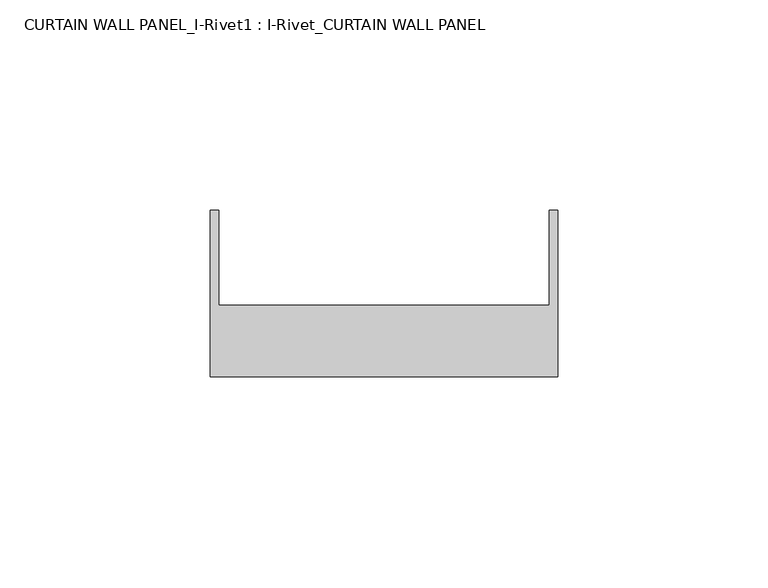
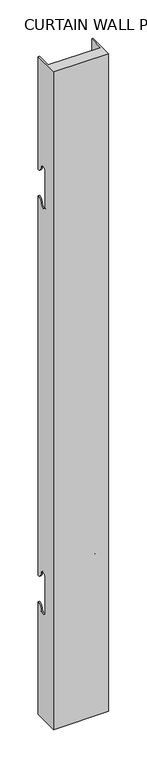
"""IFC4 building model written with IfcOpenShell, lengths in millimetres: plate geometry, CURTAIN WALL PANEL_I-Rivet1 : I-Rivet_CURTAIN WALL PANEL."""

import ifcopenshell
import ifcopenshell.guid

model = None  # the IFC model being written
_history = None  # IfcOwnerHistory: only IFC2X3 demands one
_inside = {}  # id of a spatial element -> (the spatial element, [elements in it])
_under = {}  # id of a project, library or spatial element -> (it, [spatial elements below it])
_declared = {}  # id of a project -> (the project, [libraries it declares])
_typed = {}  # id of a type object -> (the type object, [elements of that type])
_made_of = {}  # id of a material, layer set ... -> (it, [elements and type objects made of it])


def new_model(schema):
    """Start an empty IFC model of exactly this schema.

    Asked for "IFC4X3", IfcOpenShell would pick the latest addendum, in which some entities
    have other attributes; the version numbers below select the first issue.
    IFC2X3 requires an IfcOwnerHistory on every rooted entity: one is made here for all.
    """
    global model, _history
    if schema == "IFC4X3":
        model = ifcopenshell.file(schema_version=(4, 3, 0, 0))
    else:
        model = ifcopenshell.file(schema=schema)
    _inside.clear()
    _under.clear()
    _declared.clear()
    _typed.clear()
    _made_of.clear()
    _history = None
    if model.schema == "IFC2X3":
        org = make("IfcOrganization", Name="unknown")
        user = make(
            "IfcPersonAndOrganization",
            ThePerson=make("IfcPerson", FamilyName="unknown"),
            TheOrganization=org,
        )
        app = make(
            "IfcApplication",
            ApplicationDeveloper=org,
            Version="unknown",
            ApplicationFullName="unknown",
            ApplicationIdentifier="unknown",
        )
        _history = make(
            "IfcOwnerHistory",
            OwningUser=user,
            OwningApplication=app,
            ChangeAction="ADDED",
            CreationDate=0,
        )
    return model


def make(cls, **values):
    """One entity of the class cls with the attributes given. An attribute that is None is left unset."""
    return model.create_entity(
        cls, **{name: value for name, value in values.items() if value is not None}
    )


def rooted(cls, **values):
    """An entity with a GlobalId (a new one), such as an element, a storey or a relation."""
    return make(cls, GlobalId=ifcopenshell.guid.new(), OwnerHistory=_history, **values)


def si_unit(unit_type, name, prefix=None):
    """IfcSIUnit, for example si_unit("LENGTHUNIT", "METRE", prefix="MILLI")."""
    return make("IfcSIUnit", UnitType=unit_type, Prefix=prefix, Name=name)


def assignment(units):
    """IfcUnitAssignment: the units of a project."""
    return None if units is None else make("IfcUnitAssignment", Units=units)


def point(xyz):
    """IfcCartesianPoint."""
    return None if xyz is None else make("IfcCartesianPoint", Coordinates=xyz)


def direction(xyz):
    """IfcDirection."""
    return None if xyz is None else make("IfcDirection", DirectionRatios=xyz)


def frame(location, z_axis=None, x_axis=None):
    """IfcAxis2Placement3D, a coordinate frame: its origin and axes. An axis left out is left unset."""
    return make(
        "IfcAxis2Placement3D",
        Location=point(location),
        Axis=direction(z_axis),
        RefDirection=direction(x_axis),
    )


def origin():
    """The frame at (0, 0, 0) with its axes left unset."""
    return frame((0.0, 0.0, 0.0))


def place(relative_to, where):
    """IfcLocalPlacement: puts the frame where relative to a parent placement (None: the world)."""
    return make(
        "IfcLocalPlacement", PlacementRelTo=relative_to, RelativePlacement=where
    )


def context(
    kind, dimensions, precision=None, world=None, true_north=None, identifier=None
):
    """IfcGeometricRepresentationContext, for example the 3D "Model" context."""
    return make(
        "IfcGeometricRepresentationContext",
        ContextIdentifier=identifier,
        ContextType=kind,
        CoordinateSpaceDimension=dimensions,
        Precision=precision,
        WorldCoordinateSystem=world,
        TrueNorth=true_north,
    )


def project(units=None, contexts=None):
    """IfcProject with its units and contexts."""
    return rooted(
        "IfcProject",
        Name="project",
        RepresentationContexts=contexts,
        UnitsInContext=assignment(units),
    )


def spatial(cls, under=None, at=None, **own):
    """A site, building, storey or space (cls), placed at a placement, below another one or the project."""
    s = rooted(cls, ObjectPlacement=at, **own)
    if under is not None:
        _under.setdefault(under.id(), (under, []))[1].append(s)
    return s


def polyline(points):
    """IfcPolyline through the points."""
    return make("IfcPolyline", Points=[point(p) for p in points])


def circle_curve(where, radius):
    """IfcCircle in the frame where."""
    return make("IfcCircle", Position=where, Radius=radius)


def shape(context_of_items, identifier, shape_type, items):
    """IfcShapeRepresentation: the items that make up one representation, for example the "Body"."""
    return make(
        "IfcShapeRepresentation",
        ContextOfItems=context_of_items,
        RepresentationIdentifier=identifier,
        RepresentationType=shape_type,
        Items=items,
    )


def source(mapping_origin, context_of_items, identifier, shape_type, items):
    """IfcRepresentationMap: a shape defined once, which mapped items show again and again."""
    return make(
        "IfcRepresentationMap",
        MappingOrigin=mapping_origin,
        MappedRepresentation=shape(context_of_items, identifier, shape_type, items),
    )


def transform(
    local_origin,
    x_axis=None,
    y_axis=None,
    z_axis=None,
    scale=None,
    scale2=None,
    scale3=None,
    uniform=True,
):
    """IfcCartesianTransformationOperator3D, or its non-uniform kind. x_axis, y_axis, z_axis: its Axis1, 2, 3."""
    if uniform:
        return make(
            "IfcCartesianTransformationOperator3D",
            Axis1=direction(x_axis),
            Axis2=direction(y_axis),
            LocalOrigin=point(local_origin),
            Scale=scale,
            Axis3=direction(z_axis),
        )
    return make(
        "IfcCartesianTransformationOperator3DnonUniform",
        Axis1=direction(x_axis),
        Axis2=direction(y_axis),
        LocalOrigin=point(local_origin),
        Scale=scale,
        Axis3=direction(z_axis),
        Scale2=scale2,
        Scale3=scale3,
    )


def mapped(mapping_source, mapping_target):
    """IfcMappedItem: shows the shape of a source again, moved by a transform."""
    return make(
        "IfcMappedItem", MappingSource=mapping_source, MappingTarget=mapping_target
    )


def made_of(thing, what):
    """Note that an element or type object is made of a material, layer set ...; save() writes the relation."""
    if what is not None:
        _made_of.setdefault(what.id(), (what, []))[1].append(thing)
    return thing


def element(
    cls,
    number,
    at=None,
    inside=None,
    cuts=None,
    type_object=None,
    material=None,
    context=None,
    identifier="Body",
    shape_type=None,
    held_by="IfcProductDefinitionShape",
    body=None,
    shapes=None,
    **own,
):
    """One element of the class cls, such as IfcWall. Its Tag is "e" and its number.

    at: its placement. inside: the storey or other place that contains it. cuts: it is an
    opening in that element (IfcRelVoidsElement). A single representation is given by context,
    identifier, shape_type and body (its items); several are given by shapes. held_by: the class
    of the entity that holds the representations. save() writes the other relations.
    """
    e = rooted(cls, Tag="e%d" % number, ObjectPlacement=at, **own)
    if body is not None:
        shapes = [shape(context, identifier, shape_type, body)]
    if shapes is not None:
        e.Representation = make(held_by, Representations=shapes)
    if inside is not None:
        _inside.setdefault(inside.id(), (inside, []))[1].append(e)
    if cuts is not None:
        rooted(
            "IfcRelVoidsElement", RelatingBuildingElement=cuts, RelatedOpeningElement=e
        )
    if type_object is not None:
        _typed.setdefault(type_object.id(), (type_object, []))[1].append(e)
    return made_of(e, material)


def aggregate(whole, parts):
    """IfcRelAggregates: a whole, such as a stair, and the parts it consists of."""
    return rooted("IfcRelAggregates", RelatingObject=whole, RelatedObjects=parts)


def save(model, path):
    """Write the relations noted so far, then the file.

    IfcRelAggregates (storeys below a building ...), IfcRelContainedInSpatialStructure (elements
    in a storey), IfcRelDefinesByType, IfcRelAssociatesMaterial and IfcRelDeclares: one each for
    every whole, place, type object, material and project.
    """
    for whole, parts in _under.values():
        aggregate(whole, parts)
    for where, things in _inside.values():
        rooted(
            "IfcRelContainedInSpatialStructure",
            RelatedElements=things,
            RelatingStructure=where,
        )
    for kind, things in _typed.values():
        rooted("IfcRelDefinesByType", RelatedObjects=things, RelatingType=kind)
    for what, things in _made_of.values():
        rooted("IfcRelAssociatesMaterial", RelatedObjects=things, RelatingMaterial=what)
    for by, libraries in _declared.values():
        rooted("IfcRelDeclares", RelatingContext=by, RelatedDefinitions=libraries)
    model.write(path)


def plane_surface(at):
    """IfcPlane: the flat surface through the origin of the frame at, square to its z axis."""
    return make("IfcPlane", Position=at)


def cylinder_surface(at, radius):
    """IfcCylindricalSurface: all points at the distance radius from the z axis of the frame at."""
    return make("IfcCylindricalSurface", Position=at, Radius=radius)


def revolved_surface(curve, axis_point, axis_direction):
    """IfcSurfaceOfRevolution: the curve turned about the line through axis_point along axis_direction."""
    return make(
        "IfcSurfaceOfRevolution",
        SweptCurve=make("IfcArbitraryOpenProfileDef", ProfileType="CURVE", Curve=curve),
        AxisPosition=make("IfcAxis1Placement", Location=point(axis_point), Axis=direction(axis_direction)),
    )


def advanced_brep(points, edges, surfaces, faces):
    """IfcAdvancedBrep: a solid bounded by faces that lie on surfaces and meet in shared edges.

    An edge is (start, end): straight between two places in points (the first is 0);
    or (start, end, curve); or (start, end, curve, False) where it runs against its curve.
    A face is (place in surfaces, loops), or (place, loops, False) where it looks against
    its surface's normal. A loop lists edges by number (the first is 1), with a minus sign
    where the edge is run from its end to its start. The first loop is the outer one.
    """
    corners = [point(p) for p in points]
    vertices = [make("IfcVertexPoint", VertexGeometry=c) for c in corners]
    made = []
    for start, end, *more in edges:
        made.append(
            make(
                "IfcEdgeCurve",
                EdgeStart=vertices[start],
                EdgeEnd=vertices[end],
                EdgeGeometry=more[0] if more else make("IfcPolyline", Points=[corners[start], corners[end]]),
                SameSense=more[1] if len(more) > 1 else True,
            )
        )
    hull = []
    for where, loops, *sense in faces:
        bounds = []
        for j, loop in enumerate(loops):
            ring = [make("IfcOrientedEdge", EdgeElement=made[abs(k) - 1], Orientation=k > 0) for k in loop]
            bounds.append(
                make(
                    "IfcFaceOuterBound" if j == 0 else "IfcFaceBound",
                    Bound=make("IfcEdgeLoop", EdgeList=ring),
                    Orientation=True,
                )
            )
        hull.append(make("IfcAdvancedFace", Bounds=bounds, FaceSurface=surfaces[where], SameSense=sense[0] if sense else True))
    return make("IfcAdvancedBrep", Outer=make("IfcClosedShell", CfsFaces=hull))


def curtain_wall_panel_i_rivet1_i_rivet_curtain_wall_panel_a9a27cfd(model_context):
    return source(origin(), model_context, "Body", "AdvancedBrep", [
        advanced_brep(
        [(-41.3600288, -85.0, 1045.0), (41.3600288, -85.0, 1045.0), (41.3600288, -45.3384103, 1045.0), (39.3600288, -45.3384103, 1045.0), (39.3600288, -68.0, 1045.0), (-39.3600288, -68.0, 1045.0), (-39.3600288, -45.3384103, 1045.0), (-41.3600288, -45.3384103, 1045.0), (-41.3600288, -85.0, 0.0), (-41.3600288, -45.3384103, 0.0), (-39.3600288, -45.3384103, 0.0), (-39.3600288, -68.0, 0.0), (39.3600288, -68.0, 0.0), (39.3600288, -45.3384103, 0.0), (41.3600288, -45.3384103, 0.0), (41.3600288, -85.0, 0.0), (-41.3600288, -45.3384103, 866.0), (-41.3600288, -52.3384103, 873.0), (-41.3600288, -63.3384103, 873.0), (-41.3600288, -63.3384103, 817.0), (-41.3600288, -52.3384103, 817.0), (-41.3600288, -45.3384103, 824.0), (-41.3600288, -45.3384103, 221.0), (-41.3600288, -52.3384103, 228.0), (-41.3600288, -63.3384103, 228.0), (-41.3600288, -63.3384103, 172.0), (-41.3600288, -52.3384103, 172.0), (-41.3600288, -45.3384103, 179.0), (-39.3600288, -45.3384103, 179.0), (-39.3600288, -45.3384103, 824.0), (-39.3600288, -45.3384103, 221.0), (-39.3600288, -45.3384103, 866.0), (41.3600288, -45.3384103, 866.0), (39.3600288, -45.3384103, 866.0), (39.3600288, -45.3384103, 179.0), (41.3600288, -45.3384103, 179.0), (39.3600288, -45.3384103, 221.0), (39.3600288, -45.3384103, 824.0), (41.3600288, -45.3384103, 824.0), (41.3600288, -45.3384103, 221.0), (41.3600288, -52.3384103, 172.0), (41.3600288, -63.3384103, 172.0), (41.3600288, -63.3384103, 228.0), (41.3600288, -52.3384103, 228.0), (41.3600288, -52.3384103, 817.0), (41.3600288, -63.3384103, 817.0), (41.3600288, -63.3384103, 873.0), (41.3600288, -52.3384103, 873.0), (-39.3600288, -52.3384103, 172.0), (-39.3600288, -63.3384103, 172.0), (-39.3600288, -63.3384103, 228.0), (-39.3600288, -52.3384103, 228.0), (-39.3600288, -52.3384103, 817.0), (-39.3600288, -63.3384103, 817.0), (-39.3600288, -63.3384103, 873.0), (-39.3600288, -52.3384103, 873.0), (39.3600288, -52.3384103, 873.0), (39.3600288, -63.3384103, 873.0), (39.3600288, -63.3384103, 817.0), (39.3600288, -52.3384103, 817.0), (39.3600288, -52.3384103, 228.0), (39.3600288, -63.3384103, 228.0), (39.3600288, -63.3384103, 172.0), (39.3600288, -52.3384103, 172.0)],
        [
            (0, 1),
            (1, 2),
            (2, 3),
            (3, 4),
            (4, 5),
            (5, 6),
            (6, 7),
            (7, 0),
            (8, 9),
            (9, 10),
            (10, 11),
            (11, 12),
            (12, 13),
            (13, 14),
            (14, 15),
            (15, 8),
            (7, 16),
            (16, 17, circle_curve(frame((-41.3600288, -45.3384103, 873.0), z_axis=(-1.0, 0.0, 0.0), x_axis=(0.0, -1.0, 0.0)), 7.0)),
            (17, 18, circle_curve(frame((-41.3600288, -57.8384103, 873.0), z_axis=(1.0, 0.0, 0.0), x_axis=(0.0, -1.0, 0.0)), 5.5)),
            (18, 19),
            (19, 20, circle_curve(frame((-41.3600288, -57.8384103, 817.0), z_axis=(1.0, 0.0, 0.0), x_axis=(0.0, -1.0, 0.0)), 5.5)),
            (20, 21, circle_curve(frame((-41.3600288, -45.3384103, 817.0), z_axis=(-1.0, 0.0, 0.0), x_axis=(0.0, -1.0, 0.0)), 7.0)),
            (21, 22),
            (22, 23, circle_curve(frame((-41.3600288, -45.3384103, 228.0), z_axis=(-1.0, 0.0, 0.0), x_axis=(0.0, -1.0, 0.0)), 7.0)),
            (23, 24, circle_curve(frame((-41.3600288, -57.8384103, 228.0), z_axis=(1.0, 0.0, 0.0), x_axis=(0.0, -1.0, 0.0)), 5.5)),
            (24, 25),
            (25, 26, circle_curve(frame((-41.3600288, -57.8384103, 172.0), z_axis=(1.0, 0.0, 0.0), x_axis=(0.0, -1.0, 0.0)), 5.5)),
            (26, 27, circle_curve(frame((-41.3600288, -45.3384103, 172.0), z_axis=(-1.0, 0.0, 0.0), x_axis=(0.0, -1.0, 0.0)), 7.0)),
            (27, 9),
            (8, 0),
            (27, 28),
            (28, 10),
            (21, 29),
            (29, 30),
            (30, 22),
            (6, 31),
            (31, 16),
            (2, 32),
            (32, 33),
            (33, 3),
            (13, 34),
            (34, 35),
            (35, 14),
            (36, 37),
            (37, 38),
            (38, 39),
            (39, 36),
            (1, 15),
            (35, 40, circle_curve(frame((41.3600288, -45.3384103, 172.0), z_axis=(1.0, 0.0, 0.0), x_axis=(0.0, -1.0, 0.0)), 7.0)),
            (40, 41, circle_curve(frame((41.3600288, -57.8384103, 172.0), z_axis=(-1.0, 0.0, 0.0), x_axis=(0.0, -1.0, 0.0)), 5.5)),
            (41, 42),
            (42, 43, circle_curve(frame((41.3600288, -57.8384103, 228.0), z_axis=(-1.0, 0.0, 0.0), x_axis=(0.0, -1.0, 0.0)), 5.5)),
            (43, 39, circle_curve(frame((41.3600288, -45.3384103, 228.0), z_axis=(1.0, 0.0, 0.0), x_axis=(0.0, -1.0, 0.0)), 7.0)),
            (38, 44, circle_curve(frame((41.3600288, -45.3384103, 817.0), z_axis=(1.0, 0.0, 0.0), x_axis=(0.0, -1.0, 0.0)), 7.0)),
            (44, 45, circle_curve(frame((41.3600288, -57.8384103, 817.0), z_axis=(-1.0, 0.0, 0.0), x_axis=(0.0, -1.0, 0.0)), 5.5)),
            (45, 46),
            (46, 47, circle_curve(frame((41.3600288, -57.8384103, 873.0), z_axis=(-1.0, 0.0, 0.0), x_axis=(0.0, -1.0, 0.0)), 5.5)),
            (47, 32, circle_curve(frame((41.3600288, -45.3384103, 873.0), z_axis=(1.0, 0.0, 0.0), x_axis=(0.0, -1.0, 0.0)), 7.0)),
            (5, 11),
            (28, 48, circle_curve(frame((-39.3600288, -45.3384103, 172.0), z_axis=(1.0, 0.0, 0.0), x_axis=(0.0, -1.0, 0.0)), 7.0)),
            (48, 49, circle_curve(frame((-39.3600288, -57.8384103, 172.0), z_axis=(-1.0, 0.0, 0.0), x_axis=(0.0, -1.0, 0.0)), 5.5)),
            (49, 50),
            (50, 51, circle_curve(frame((-39.3600288, -57.8384103, 228.0), z_axis=(-1.0, 0.0, 0.0), x_axis=(0.0, -1.0, 0.0)), 5.5)),
            (51, 30, circle_curve(frame((-39.3600288, -45.3384103, 228.0), z_axis=(1.0, 0.0, 0.0), x_axis=(0.0, -1.0, 0.0)), 7.0)),
            (29, 52, circle_curve(frame((-39.3600288, -45.3384103, 817.0), z_axis=(1.0, 0.0, 0.0), x_axis=(0.0, -1.0, 0.0)), 7.0)),
            (52, 53, circle_curve(frame((-39.3600288, -57.8384103, 817.0), z_axis=(-1.0, 0.0, 0.0), x_axis=(0.0, -1.0, 0.0)), 5.5)),
            (53, 54),
            (54, 55, circle_curve(frame((-39.3600288, -57.8384103, 873.0), z_axis=(-1.0, 0.0, 0.0), x_axis=(0.0, -1.0, 0.0)), 5.5)),
            (55, 31, circle_curve(frame((-39.3600288, -45.3384103, 873.0), z_axis=(1.0, 0.0, 0.0), x_axis=(0.0, -1.0, 0.0)), 7.0)),
            (33, 56, circle_curve(frame((39.3600288, -45.3384103, 873.0), z_axis=(-1.0, 0.0, 0.0), x_axis=(0.0, -1.0, 0.0)), 7.0)),
            (56, 57, circle_curve(frame((39.3600288, -57.8384103, 873.0), z_axis=(1.0, 0.0, 0.0), x_axis=(0.0, -1.0, 0.0)), 5.5)),
            (57, 58),
            (58, 59, circle_curve(frame((39.3600288, -57.8384103, 817.0), z_axis=(1.0, 0.0, 0.0), x_axis=(0.0, -1.0, 0.0)), 5.5)),
            (59, 37, circle_curve(frame((39.3600288, -45.3384103, 817.0), z_axis=(-1.0, 0.0, 0.0), x_axis=(0.0, -1.0, 0.0)), 7.0)),
            (36, 60, circle_curve(frame((39.3600288, -45.3384103, 228.0), z_axis=(-1.0, 0.0, 0.0), x_axis=(0.0, -1.0, 0.0)), 7.0)),
            (60, 61, circle_curve(frame((39.3600288, -57.8384103, 228.0), z_axis=(1.0, 0.0, 0.0), x_axis=(0.0, -1.0, 0.0)), 5.5)),
            (61, 62),
            (62, 63, circle_curve(frame((39.3600288, -57.8384103, 172.0), z_axis=(1.0, 0.0, 0.0), x_axis=(0.0, -1.0, 0.0)), 5.5)),
            (63, 34, circle_curve(frame((39.3600288, -45.3384103, 172.0), z_axis=(-1.0, 0.0, 0.0), x_axis=(0.0, -1.0, 0.0)), 7.0)),
            (12, 4),
            (41, 62),
            (61, 42),
            (49, 25),
            (24, 50),
            (40, 63),
            (48, 26),
            (51, 23),
            (43, 60),
            (18, 54),
            (53, 19),
            (57, 46),
            (45, 58),
            (17, 55),
            (56, 47),
            (59, 44),
            (20, 52),
        ],
        [
            plane_surface(frame((-41.3600288, -45.3384103, 1045.0), z_axis=(0.0, 0.0, 1.0), x_axis=(0.0, 1.0, 0.0))),
            plane_surface(frame((-41.3600288, -45.3384103, 0.0), z_axis=(0.0, 0.0, -1.0), x_axis=(0.0, -1.0, 0.0))),
            plane_surface(frame((-41.3600288, -85.0, 1045.0), z_axis=(-1.0, 0.0, 0.0), x_axis=(0.0, 0.0, -1.0))),
            plane_surface(frame((-41.3600288, -45.3384103, 1045.0), z_axis=(0.0, 1.0, 0.0), x_axis=(0.0, 0.0, -1.0))),
            plane_surface(frame((39.3600288, -45.3384103, 1045.0), z_axis=(0.0, 1.0, 0.0), x_axis=(0.0, 0.0, -1.0))),
            plane_surface(frame((41.3600288, -45.3384103, 1045.0), z_axis=(1.0, 0.0, 0.0), x_axis=(0.0, 0.0, -1.0))),
            plane_surface(frame((41.3600288, -85.0, 1045.0), z_axis=(0.0, -1.0, 0.0), x_axis=(0.0, 0.0, -1.0))),
            plane_surface(frame((-39.3600288, -45.3384103, 1045.0), z_axis=(1.0, 0.0, 0.0), x_axis=(0.0, 0.0, -1.0))),
            plane_surface(frame((39.3600288, -68.0, 1045.0), z_axis=(-1.0, 0.0, 0.0), x_axis=(0.0, 0.0, -1.0))),
            plane_surface(frame((-40.3600288, -68.0, 1045.0), z_axis=(0.0, 1.0, 0.0), x_axis=(0.0, 0.0, -1.0))),
            plane_surface(frame((-41.3600288, -63.3384103, 228.0), z_axis=(0.0, 1.0, 0.0), x_axis=(1.0, 0.0, 0.0))),
            revolved_surface(polyline([(39.3600288, -63.3384103, 172.0), (41.3600288, -63.3384103, 172.0)]), (-41.3600288, -57.8384103, 172.0), (-1.0, 0.0, 0.0)),
            revolved_surface(polyline([(-41.3600288, -63.3384103, 172.0), (-39.3600288, -63.3384103, 172.0)]), (-41.3600288, -57.8384103, 172.0), (-1.0, 0.0, 0.0)),
            cylinder_surface(frame((-41.3600288, -45.3384103, 172.0), z_axis=(1.0, 0.0, 0.0), x_axis=(0.0, -1.0, 0.0)), 7.0),
            cylinder_surface(frame((-41.3600288, -45.3384103, 228.0), z_axis=(1.0, 0.0, 0.0), x_axis=(0.0, -1.0, 0.0)), 7.0),
            revolved_surface(polyline([(-41.3600288, -63.3384103, 228.0), (-39.3600288, -63.3384103, 228.0)]), (-41.3600288, -57.8384103, 228.0), (-1.0, 0.0, 0.0)),
            revolved_surface(polyline([(39.3600288, -63.3384103, 228.0), (41.3600288, -63.3384103, 228.0)]), (-41.3600288, -57.8384103, 228.0), (-1.0, 0.0, 0.0)),
            plane_surface(frame((41.3600288, -63.3384103, 817.0), z_axis=(0.0, 1.0, 0.0), x_axis=(-1.0, 0.0, 0.0))),
            revolved_surface(polyline([(-39.3600288, -63.3384103, 873.0), (-41.3600288, -63.3384103, 873.0)]), (41.3600288, -57.8384103, 873.0), (1.0, 0.0, 0.0)),
            revolved_surface(polyline([(41.3600288, -63.3384103, 873.0), (39.3600288, -63.3384103, 873.0)]), (41.3600288, -57.8384103, 873.0), (1.0, 0.0, 0.0)),
            cylinder_surface(frame((41.3600288, -45.3384103, 873.0), z_axis=(-1.0, 0.0, 0.0), x_axis=(0.0, -1.0, 0.0)), 7.0),
            cylinder_surface(frame((41.3600288, -45.3384103, 817.0), z_axis=(-1.0, 0.0, 0.0), x_axis=(0.0, -1.0, 0.0)), 7.0),
            revolved_surface(polyline([(41.3600288, -63.3384103, 817.0), (39.3600288, -63.3384103, 817.0)]), (41.3600288, -57.8384103, 817.0), (1.0, 0.0, 0.0)),
            revolved_surface(polyline([(-39.3600288, -63.3384103, 817.0), (-41.3600288, -63.3384103, 817.0)]), (41.3600288, -57.8384103, 817.0), (1.0, 0.0, 0.0)),
        ],
        [
            (0, [[1, 2, 3, 4, 5, 6, 7, 8]]),
            (1, [[9, 10, 11, 12, 13, 14, 15, 16]]),
            (2, [[17, 18, 19, 20, 21, 22, 23, 24, 25, 26, 27, 28, 29, -9, 30, -8]]),
            (3, [[-29, 31, 32, -10]]),
            (3, [[-23, 33, 34, 35]]),
            (3, [[36, 37, -17, -7]]),
            (4, [[38, 39, 40, -3]]),
            (4, [[41, 42, 43, -14]]),
            (4, [[44, 45, 46, 47]]),
            (5, [[48, -15, -43, 49, 50, 51, 52, 53, -46, 54, 55, 56, 57, 58, -38, -2]]),
            (6, [[-30, -16, -48, -1]]),
            (7, [[59, -11, -32, 60, 61, 62, 63, 64, -34, 65, 66, 67, 68, 69, -36, -6]]),
            (8, [[-40, 70, 71, 72, 73, 74, -44, 75, 76, 77, 78, 79, -41, -13, 80, -4]]),
            (9, [[-80, -12, -59, -5]]),
            (10, [[-51, 81, -77, 82]]),
            (10, [[-62, 83, -26, 84]]),
            (11, [[-50, 85, -78, -81]]),
            (12, [[-61, 86, -27, -83]]),
            (13, [[-49, -42, -79, -85]]),
            (13, [[-60, -31, -28, -86]]),
            (14, [[-24, -35, -64, 87]]),
            (14, [[-75, -47, -53, 88]]),
            (15, [[-25, -87, -63, -84]]),
            (16, [[-76, -88, -52, -82]]),
            (17, [[-20, 89, -67, 90]]),
            (17, [[-72, 91, -56, 92]]),
            (18, [[-19, 93, -68, -89]]),
            (19, [[-71, 94, -57, -91]]),
            (20, [[-18, -37, -69, -93]]),
            (20, [[-70, -39, -58, -94]]),
            (21, [[-54, -45, -74, 95]]),
            (21, [[-65, -33, -22, 96]]),
            (22, [[-55, -95, -73, -92]]),
            (23, [[-66, -96, -21, -90]]),
        ],
    ),
    ])


if __name__ == "__main__":
    model = new_model("IFC4")
    model_context = context("Model", 3, world=origin())
    ifc_project = project(units=[si_unit("LENGTHUNIT", "METRE", prefix="MILLI")], contexts=[model_context])
    site = spatial("IfcSite", under=ifc_project)
    building = spatial("IfcBuilding", under=site)
    placement = place(None, origin())
    curtain_wall_panel_i_rivet1_i_rivet_curtain_wall_panel_shape = curtain_wall_panel_i_rivet1_i_rivet_curtain_wall_panel_a9a27cfd(model_context)
    element("IfcPlate", 1, ObjectType="CURTAIN WALL PANEL_I-Rivet1 : I-Rivet_CURTAIN WALL PANEL", at=placement, inside=building, context=model_context, shape_type="MappedRepresentation", body=[
        mapped(curtain_wall_panel_i_rivet1_i_rivet_curtain_wall_panel_shape, transform((0.0, 0.0, 0.0), x_axis=(1.0, 0.0, 0.0), y_axis=(0.0, 1.0, 0.0), z_axis=(0.0, 0.0, 1.0))),
    ])
    save(model, "model.ifc")
